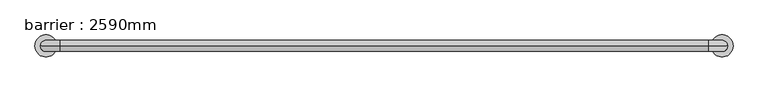
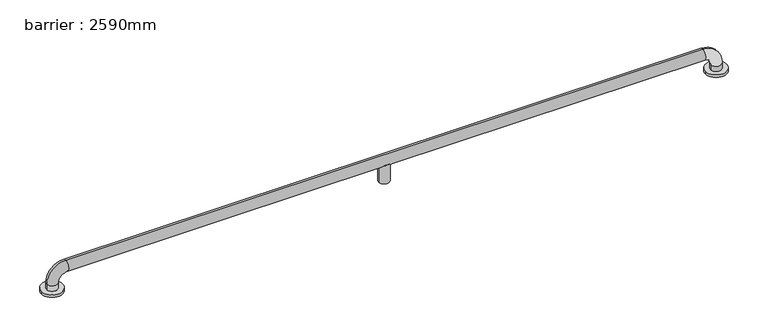
"""IFC4 building model written with IfcOpenShell, lengths in millimetres: geographic element geometry, barrier : 2590mm."""

import ifcopenshell
import ifcopenshell.guid

model = None  # the IFC model being written
_history = None  # IfcOwnerHistory: only IFC2X3 demands one
_inside = {}  # id of a spatial element -> (the spatial element, [elements in it])
_under = {}  # id of a project, library or spatial element -> (it, [spatial elements below it])
_declared = {}  # id of a project -> (the project, [libraries it declares])
_typed = {}  # id of a type object -> (the type object, [elements of that type])
_made_of = {}  # id of a material, layer set ... -> (it, [elements and type objects made of it])


def new_model(schema):
    """Start an empty IFC model of exactly this schema.

    Asked for "IFC4X3", IfcOpenShell would pick the latest addendum, in which some entities
    have other attributes; the version numbers below select the first issue.
    IFC2X3 requires an IfcOwnerHistory on every rooted entity: one is made here for all.
    """
    global model, _history
    if schema == "IFC4X3":
        model = ifcopenshell.file(schema_version=(4, 3, 0, 0))
    else:
        model = ifcopenshell.file(schema=schema)
    _inside.clear()
    _under.clear()
    _declared.clear()
    _typed.clear()
    _made_of.clear()
    _history = None
    if model.schema == "IFC2X3":
        org = make("IfcOrganization", Name="unknown")
        user = make(
            "IfcPersonAndOrganization",
            ThePerson=make("IfcPerson", FamilyName="unknown"),
            TheOrganization=org,
        )
        app = make(
            "IfcApplication",
            ApplicationDeveloper=org,
            Version="unknown",
            ApplicationFullName="unknown",
            ApplicationIdentifier="unknown",
        )
        _history = make(
            "IfcOwnerHistory",
            OwningUser=user,
            OwningApplication=app,
            ChangeAction="ADDED",
            CreationDate=0,
        )
    return model


def make(cls, **values):
    """One entity of the class cls with the attributes given. An attribute that is None is left unset."""
    return model.create_entity(
        cls, **{name: value for name, value in values.items() if value is not None}
    )


def rooted(cls, **values):
    """An entity with a GlobalId (a new one), such as an element, a storey or a relation."""
    return make(cls, GlobalId=ifcopenshell.guid.new(), OwnerHistory=_history, **values)


def si_unit(unit_type, name, prefix=None):
    """IfcSIUnit, for example si_unit("LENGTHUNIT", "METRE", prefix="MILLI")."""
    return make("IfcSIUnit", UnitType=unit_type, Prefix=prefix, Name=name)


def assignment(units):
    """IfcUnitAssignment: the units of a project."""
    return None if units is None else make("IfcUnitAssignment", Units=units)


def point(xyz):
    """IfcCartesianPoint."""
    return None if xyz is None else make("IfcCartesianPoint", Coordinates=xyz)


def direction(xyz):
    """IfcDirection."""
    return None if xyz is None else make("IfcDirection", DirectionRatios=xyz)


def frame(location, z_axis=None, x_axis=None):
    """IfcAxis2Placement3D, a coordinate frame: its origin and axes. An axis left out is left unset."""
    return make(
        "IfcAxis2Placement3D",
        Location=point(location),
        Axis=direction(z_axis),
        RefDirection=direction(x_axis),
    )


def origin():
    """The frame at (0, 0, 0) with its axes left unset."""
    return frame((0.0, 0.0, 0.0))


def place(relative_to, where):
    """IfcLocalPlacement: puts the frame where relative to a parent placement (None: the world)."""
    return make(
        "IfcLocalPlacement", PlacementRelTo=relative_to, RelativePlacement=where
    )


def context(
    kind, dimensions, precision=None, world=None, true_north=None, identifier=None
):
    """IfcGeometricRepresentationContext, for example the 3D "Model" context."""
    return make(
        "IfcGeometricRepresentationContext",
        ContextIdentifier=identifier,
        ContextType=kind,
        CoordinateSpaceDimension=dimensions,
        Precision=precision,
        WorldCoordinateSystem=world,
        TrueNorth=true_north,
    )


def project(units=None, contexts=None):
    """IfcProject with its units and contexts."""
    return rooted(
        "IfcProject",
        Name="project",
        RepresentationContexts=contexts,
        UnitsInContext=assignment(units),
    )


def spatial(cls, under=None, at=None, **own):
    """A site, building, storey or space (cls), placed at a placement, below another one or the project."""
    s = rooted(cls, ObjectPlacement=at, **own)
    if under is not None:
        _under.setdefault(under.id(), (under, []))[1].append(s)
    return s


def circle_curve(where, radius):
    """IfcCircle in the frame where."""
    return make("IfcCircle", Position=where, Radius=radius)


def ellipse_curve(where, semi_axis1, semi_axis2):
    """IfcEllipse in the frame where."""
    return make(
        "IfcEllipse", Position=where, SemiAxis1=semi_axis1, SemiAxis2=semi_axis2
    )


def trimmed(basis, trim1, trim2, sense, master):
    """IfcTrimmedCurve: the piece of a basis curve between two trims."""
    return make(
        "IfcTrimmedCurve",
        BasisCurve=basis,
        Trim1=trim1,
        Trim2=trim2,
        SenseAgreement=sense,
        MasterRepresentation=master,
    )


def shape(context_of_items, identifier, shape_type, items):
    """IfcShapeRepresentation: the items that make up one representation, for example the "Body"."""
    return make(
        "IfcShapeRepresentation",
        ContextOfItems=context_of_items,
        RepresentationIdentifier=identifier,
        RepresentationType=shape_type,
        Items=items,
    )


def source(mapping_origin, context_of_items, identifier, shape_type, items):
    """IfcRepresentationMap: a shape defined once, which mapped items show again and again."""
    return make(
        "IfcRepresentationMap",
        MappingOrigin=mapping_origin,
        MappedRepresentation=shape(context_of_items, identifier, shape_type, items),
    )


def transform(
    local_origin,
    x_axis=None,
    y_axis=None,
    z_axis=None,
    scale=None,
    scale2=None,
    scale3=None,
    uniform=True,
):
    """IfcCartesianTransformationOperator3D, or its non-uniform kind. x_axis, y_axis, z_axis: its Axis1, 2, 3."""
    if uniform:
        return make(
            "IfcCartesianTransformationOperator3D",
            Axis1=direction(x_axis),
            Axis2=direction(y_axis),
            LocalOrigin=point(local_origin),
            Scale=scale,
            Axis3=direction(z_axis),
        )
    return make(
        "IfcCartesianTransformationOperator3DnonUniform",
        Axis1=direction(x_axis),
        Axis2=direction(y_axis),
        LocalOrigin=point(local_origin),
        Scale=scale,
        Axis3=direction(z_axis),
        Scale2=scale2,
        Scale3=scale3,
    )


def mapped(mapping_source, mapping_target):
    """IfcMappedItem: shows the shape of a source again, moved by a transform."""
    return make(
        "IfcMappedItem", MappingSource=mapping_source, MappingTarget=mapping_target
    )


def made_of(thing, what):
    """Note that an element or type object is made of a material, layer set ...; save() writes the relation."""
    if what is not None:
        _made_of.setdefault(what.id(), (what, []))[1].append(thing)
    return thing


def element(
    cls,
    number,
    at=None,
    inside=None,
    cuts=None,
    type_object=None,
    material=None,
    context=None,
    identifier="Body",
    shape_type=None,
    held_by="IfcProductDefinitionShape",
    body=None,
    shapes=None,
    **own,
):
    """One element of the class cls, such as IfcWall. Its Tag is "e" and its number.

    at: its placement. inside: the storey or other place that contains it. cuts: it is an
    opening in that element (IfcRelVoidsElement). A single representation is given by context,
    identifier, shape_type and body (its items); several are given by shapes. held_by: the class
    of the entity that holds the representations. save() writes the other relations.
    """
    e = rooted(cls, Tag="e%d" % number, ObjectPlacement=at, **own)
    if body is not None:
        shapes = [shape(context, identifier, shape_type, body)]
    if shapes is not None:
        e.Representation = make(held_by, Representations=shapes)
    if inside is not None:
        _inside.setdefault(inside.id(), (inside, []))[1].append(e)
    if cuts is not None:
        rooted(
            "IfcRelVoidsElement", RelatingBuildingElement=cuts, RelatedOpeningElement=e
        )
    if type_object is not None:
        _typed.setdefault(type_object.id(), (type_object, []))[1].append(e)
    return made_of(e, material)


def aggregate(whole, parts):
    """IfcRelAggregates: a whole, such as a stair, and the parts it consists of."""
    return rooted("IfcRelAggregates", RelatingObject=whole, RelatedObjects=parts)


def save(model, path):
    """Write the relations noted so far, then the file.

    IfcRelAggregates (storeys below a building ...), IfcRelContainedInSpatialStructure (elements
    in a storey), IfcRelDefinesByType, IfcRelAssociatesMaterial and IfcRelDeclares: one each for
    every whole, place, type object, material and project.
    """
    for whole, parts in _under.values():
        aggregate(whole, parts)
    for where, things in _inside.values():
        rooted(
            "IfcRelContainedInSpatialStructure",
            RelatedElements=things,
            RelatingStructure=where,
        )
    for kind, things in _typed.values():
        rooted("IfcRelDefinesByType", RelatedObjects=things, RelatingType=kind)
    for what, things in _made_of.values():
        rooted("IfcRelAssociatesMaterial", RelatedObjects=things, RelatingMaterial=what)
    for by, libraries in _declared.values():
        rooted("IfcRelDeclares", RelatingContext=by, RelatedDefinitions=libraries)
    model.write(path)


def plane_surface(at):
    """IfcPlane: the flat surface through the origin of the frame at, square to its z axis."""
    return make("IfcPlane", Position=at)


def cylinder_surface(at, radius):
    """IfcCylindricalSurface: all points at the distance radius from the z axis of the frame at."""
    return make("IfcCylindricalSurface", Position=at, Radius=radius)


def revolved_surface(curve, axis_point, axis_direction):
    """IfcSurfaceOfRevolution: the curve turned about the line through axis_point along axis_direction."""
    return make(
        "IfcSurfaceOfRevolution",
        SweptCurve=make("IfcArbitraryOpenProfileDef", ProfileType="CURVE", Curve=curve),
        AxisPosition=make("IfcAxis1Placement", Location=point(axis_point), Axis=direction(axis_direction)),
    )


def advanced_brep(points, edges, surfaces, faces):
    """IfcAdvancedBrep: a solid bounded by faces that lie on surfaces and meet in shared edges.

    An edge is (start, end): straight between two places in points (the first is 0);
    or (start, end, curve); or (start, end, curve, False) where it runs against its curve.
    A face is (place in surfaces, loops), or (place, loops, False) where it looks against
    its surface's normal. A loop lists edges by number (the first is 1), with a minus sign
    where the edge is run from its end to its start. The first loop is the outer one.
    """
    corners = [point(p) for p in points]
    vertices = [make("IfcVertexPoint", VertexGeometry=c) for c in corners]
    made = []
    for start, end, *more in edges:
        made.append(
            make(
                "IfcEdgeCurve",
                EdgeStart=vertices[start],
                EdgeEnd=vertices[end],
                EdgeGeometry=more[0] if more else make("IfcPolyline", Points=[corners[start], corners[end]]),
                SameSense=more[1] if len(more) > 1 else True,
            )
        )
    hull = []
    for where, loops, *sense in faces:
        bounds = []
        for j, loop in enumerate(loops):
            ring = [make("IfcOrientedEdge", EdgeElement=made[abs(k) - 1], Orientation=k > 0) for k in loop]
            bounds.append(
                make(
                    "IfcFaceOuterBound" if j == 0 else "IfcFaceBound",
                    Bound=make("IfcEdgeLoop", EdgeList=ring),
                    Orientation=True,
                )
            )
        hull.append(make("IfcAdvancedFace", Bounds=bounds, FaceSurface=surfaces[where], SameSense=sense[0] if sense else True))
    return make("IfcAdvancedBrep", Outer=make("IfcClosedShell", CfsFaces=hull))


def barrier_2590mm_6413351f(model_context):
    return source(origin(), model_context, "Body", "AdvancedBrep", [
        advanced_brep(
        [(-506.3087167, 0.0, 0.0), (-426.3087167, 0.0, 0.0), (1942.2897345, 0.0, 0.0), (2022.2897345, 0.0, 0.0), (-446.3087167, 0.0, 30.0), (-446.3087167, 0.0, 10.0), (-486.3087167, 0.0, 10.0), (-486.3087167, 0.0, 30.0), (-416.3087167, 0.0, 100.0), (-416.3087167, 0.0, 60.0), (1932.2897345, 0.0, 100.0), (1932.2897345, 0.0, 60.0), (777.9905089, 0.0, 60.0), (766.6842201, 18.0116458, 71.3062888), (749.2967977, 18.0116458, 71.3062888), (737.9905089, 0.0, 60.0), (749.2967977, -18.0116458, 71.3062888), (766.6842201, -18.0116458, 71.3062888), (2002.2897345, 0.0, 30.0), (1962.2897345, 0.0, 30.0), (2002.2897345, 0.0, 10.0), (1962.2897345, 0.0, 10.0), (737.9905089, 0.0, 0.0), (777.9905089, 0.0, 0.0), (-506.3087167, 0.0, 10.0), (-426.3087167, 0.0, 10.0), (1942.2897345, 0.0, 10.0), (2022.2897345, 0.0, 10.0)],
        [
            (0, 1, circle_curve(frame((-466.3087167, 0.0, 0.0), z_axis=(0.0, 0.0, -1.0), x_axis=(1.0, 0.0, 0.0)), 40.0)),
            (1, 0, circle_curve(frame((-466.3087167, 0.0, 0.0), z_axis=(0.0, 0.0, -1.0), x_axis=(1.0, 0.0, 0.0)), 40.0)),
            (2, 3, circle_curve(frame((1982.2897345, 0.0, 0.0), z_axis=(0.0, 0.0, -1.0), x_axis=(1.0, 0.0, 0.0)), 40.0)),
            (3, 2, circle_curve(frame((1982.2897345, 0.0, 0.0), z_axis=(0.0, 0.0, -1.0), x_axis=(1.0, 0.0, 0.0)), 40.0)),
            (4, 5),
            (5, 6, circle_curve(frame((-466.3087167, 0.0, 10.0), z_axis=(0.0, 0.0, 1.0), x_axis=(-1.0, 0.0, 0.0)), 20.0)),
            (6, 7),
            (7, 4, circle_curve(frame((-466.3087167, 0.0, 30.0), z_axis=(0.0, 0.0, -1.0), x_axis=(-1.0, 0.0, 0.0)), 20.0)),
            (6, 5, circle_curve(frame((-466.3087167, 0.0, 10.0), z_axis=(0.0, 0.0, 1.0), x_axis=(-1.0, 0.0, 0.0)), 20.0)),
            (4, 7, circle_curve(frame((-466.3087167, 0.0, 30.0), z_axis=(0.0, 0.0, -1.0), x_axis=(-1.0, 0.0, 0.0)), 20.0)),
            (7, 8, circle_curve(frame((-416.3087167, 0.0, 30.0), z_axis=(0.0, 1.0, 0.0), x_axis=(-1.0, 0.0, 0.0)), 70.0)),
            (8, 9, circle_curve(frame((-416.3087167, 0.0, 80.0), z_axis=(-1.0, 0.0, 0.0), x_axis=(0.0, 0.0, 1.0)), 20.0)),
            (9, 4, circle_curve(frame((-416.3087167, 0.0, 30.0), z_axis=(0.0, -1.0, 0.0), x_axis=(-1.0, 0.0, 0.0)), 30.0)),
            (9, 8, circle_curve(frame((-416.3087167, 0.0, 80.0), z_axis=(-1.0, 0.0, 0.0), x_axis=(0.0, 0.0, 1.0)), 20.0)),
            (8, 10),
            (10, 11, circle_curve(frame((1932.2897345, 0.0, 80.0), z_axis=(-1.0, 0.0, 0.0), x_axis=(0.0, 0.0, 1.0)), 20.0)),
            (11, 12),
            (12, 13, ellipse_curve(frame((757.9905089, 0.0, 80.0), z_axis=(0.7071067811865475, 0.0, 0.7071067811865475), x_axis=(-0.7071067811865476, 0.0, 0.7071067811865474)), 28.2842712, 20.0)),
            (13, 14),
            (14, 15, ellipse_curve(frame((757.9905089, 0.0, 80.0), z_axis=(-0.7071067811865475, 0.0, 0.7071067811865475), x_axis=(-0.7071067811865476, 0.0, -0.7071067811865474)), 28.2842712, 20.0)),
            (15, 9),
            (15, 16, ellipse_curve(frame((757.9905089, 0.0, 80.0), z_axis=(-0.7071067811865475, 0.0, 0.7071067811865475), x_axis=(-0.7071067811865476, 0.0, -0.7071067811865474)), 28.2842712, 20.0)),
            (16, 17),
            (17, 12, ellipse_curve(frame((757.9905089, 0.0, 80.0), z_axis=(0.7071067811865475, 0.0, 0.7071067811865475), x_axis=(-0.7071067811865476, 0.0, 0.7071067811865474)), 28.2842712, 20.0)),
            (11, 10, circle_curve(frame((1932.2897345, 0.0, 80.0), z_axis=(-1.0, 0.0, 0.0), x_axis=(0.0, 0.0, 1.0)), 20.0)),
            (10, 18, circle_curve(frame((1932.2897345, 0.0, 30.0), z_axis=(0.0, 1.0, 0.0), x_axis=(0.0, 0.0, 1.0)), 70.0)),
            (18, 19, circle_curve(frame((1982.2897345, 0.0, 30.0), z_axis=(0.0, 0.0, 1.0), x_axis=(1.0, 0.0, 0.0)), 20.0)),
            (19, 11, circle_curve(frame((1932.2897345, 0.0, 30.0), z_axis=(0.0, -1.0, 0.0), x_axis=(0.0, 0.0, 1.0)), 30.0)),
            (19, 18, circle_curve(frame((1982.2897345, 0.0, 30.0), z_axis=(0.0, 0.0, 1.0), x_axis=(1.0, 0.0, 0.0)), 20.0)),
            (18, 20),
            (20, 21, circle_curve(frame((1982.2897345, 0.0, 10.0), z_axis=(0.0, 0.0, 1.0), x_axis=(1.0, 0.0, 0.0)), 20.0)),
            (21, 19),
            (21, 20, circle_curve(frame((1982.2897345, 0.0, 10.0), z_axis=(0.0, 0.0, 1.0), x_axis=(1.0, 0.0, 0.0)), 20.0)),
            (22, 23, circle_curve(frame((757.9905089, 0.0, 0.0), z_axis=(0.0, 0.0, -1.0), x_axis=(1.0, 0.0, 0.0)), 20.0)),
            (23, 22, circle_curve(frame((757.9905089, 0.0, 0.0), z_axis=(0.0, 0.0, -1.0), x_axis=(1.0, 0.0, 0.0)), 20.0)),
            (22, 15),
            (14, 13, circle_curve(frame((757.9905089, 0.0, 71.3062888), z_axis=(0.0, 0.0, -1.0), x_axis=(1.0, 0.0, 0.0)), 20.0)),
            (12, 23),
            (17, 16, circle_curve(frame((757.9905089, 0.0, 71.3062888), z_axis=(0.0, 0.0, -1.0), x_axis=(1.0, 0.0, 0.0)), 20.0)),
            (24, 25, circle_curve(frame((-466.3087167, 0.0, 10.0), z_axis=(0.0, 0.0, 1.0), x_axis=(1.0, 0.0, 0.0)), 40.0)),
            (25, 24, circle_curve(frame((-466.3087167, 0.0, 10.0), z_axis=(0.0, 0.0, 1.0), x_axis=(1.0, 0.0, 0.0)), 40.0)),
            (26, 27, circle_curve(frame((1982.2897345, 0.0, 10.0), z_axis=(0.0, 0.0, 1.0), x_axis=(1.0, 0.0, 0.0)), 40.0)),
            (27, 26, circle_curve(frame((1982.2897345, 0.0, 10.0), z_axis=(0.0, 0.0, 1.0), x_axis=(1.0, 0.0, 0.0)), 40.0)),
            (25, 1),
            (0, 24),
            (27, 3),
            (2, 26),
        ],
        [
            plane_surface(frame((-466.3087167, 20.0, 0.0), z_axis=(0.0, 0.0, -1.0), x_axis=(1.0, 0.0, 0.0))),
            cylinder_surface(frame((-466.3087167, 0.0, 0.0), z_axis=(0.0, 0.0, -1.0), x_axis=(-1.0, 0.0, 0.0)), 20.0),
            revolved_surface(trimmed(ellipse_curve(frame((-466.3087167, 0.0, 30.0), z_axis=(0.0, 0.0, 1.0), x_axis=(-1.0, 0.0, 0.0)), 20.0, 20.0), [point((-446.3087167, 0.0, 30.0))], [point((-486.3087167, 0.0, 30.0))], True, "CARTESIAN"), (-416.3087167, 0.0, 30.0), (0.0, -1.0, 0.0)),
            revolved_surface(trimmed(ellipse_curve(frame((-466.3087167, 0.0, 30.0), z_axis=(0.0, 0.0, 1.0), x_axis=(-1.0, 0.0, 0.0)), 20.0, 20.0), [point((-486.3087167, 0.0, 30.0))], [point((-446.3087167, 0.0, 30.0))], True, "CARTESIAN"), (-416.3087167, 0.0, 30.0), (0.0, -1.0, 0.0)),
            cylinder_surface(frame((-416.3087167, 0.0, 80.0), z_axis=(-1.0, 0.0, 0.0), x_axis=(0.0, 0.0, 1.0)), 20.0),
            revolved_surface(trimmed(ellipse_curve(frame((1932.2897345, 0.0, 80.0), z_axis=(1.0, 0.0, 0.0), x_axis=(0.0, 0.0, 1.0)), 20.0, 20.0), [point((1932.2897345, 0.0, 60.0))], [point((1932.2897345, 0.0, 100.0))], True, "CARTESIAN"), (1932.2897345, 0.0, 30.0), (0.0, -1.0, 0.0)),
            revolved_surface(trimmed(ellipse_curve(frame((1932.2897345, 0.0, 80.0), z_axis=(1.0, 0.0, 0.0), x_axis=(0.0, 0.0, 1.0)), 20.0, 20.0), [point((1932.2897345, 0.0, 100.0))], [point((1932.2897345, 0.0, 60.0))], True, "CARTESIAN"), (1932.2897345, 0.0, 30.0), (0.0, -1.0, 0.0)),
            cylinder_surface(frame((1982.2897345, 0.0, 30.0), z_axis=(0.0, 0.0, 1.0), x_axis=(1.0, 0.0, 0.0)), 20.0),
            plane_surface(frame((777.9905089, 0.0, 0.0), z_axis=(0.0, 0.0, -1.0), x_axis=(0.0, 1.0, 0.0))),
            cylinder_surface(frame((757.9905089, 0.0, 0.0), z_axis=(0.0, 0.0, 1.0), x_axis=(1.0, 0.0, 0.0)), 20.0),
            plane_surface(frame((-426.3087167, 0.0, 10.0), z_axis=(0.0, 0.0, 1.0), x_axis=(0.0, -1.0, 0.0))),
            cylinder_surface(frame((-466.3087167, 0.0, 0.0), z_axis=(0.0, 0.0, 1.0), x_axis=(1.0, 0.0, 0.0)), 40.0),
            cylinder_surface(frame((1982.2897345, 0.0, 0.0), z_axis=(0.0, 0.0, 1.0), x_axis=(1.0, 0.0, 0.0)), 40.0),
            plane_surface(frame((777.9905089, 0.0, 71.3062888), z_axis=(0.0, 0.0, 1.0), x_axis=(0.0, -1.0, 0.0))),
        ],
        [
            (0, [[1, 2]]),
            (0, [[3, 4]]),
            (1, [[5, 6, 7, 8]]),
            (1, [[-7, 9, -5, 10]]),
            (2, [[11, 12, 13, -8]]),
            (3, [[-13, 14, -11, -10]]),
            (4, [[15, 16, 17, 18, 19, 20, 21, -12]]),
            (4, [[-21, 22, 23, 24, -17, 25, -15, -14]]),
            (5, [[26, 27, 28, -16]]),
            (6, [[-28, 29, -26, -25]]),
            (7, [[30, 31, 32, -27]]),
            (7, [[-32, 33, -30, -29]]),
            (8, [[34, 35]]),
            (9, [[36, -20, 37, -18, 38, -34]]),
            (9, [[-38, -24, 39, -22, -36, -35]]),
            (10, [[40, 41], [-9, -6]]),
            (10, [[42, 43], [-33, -31]]),
            (11, [[44, -1, 45, -41]]),
            (11, [[-45, -2, -44, -40]]),
            (12, [[46, -3, 47, -43]]),
            (12, [[-47, -4, -46, -42]]),
            (13, [[-19, -37]]),
            (13, [[-23, -39]]),
        ],
    ),
    ])


if __name__ == "__main__":
    model = new_model("IFC4")
    model_context = context("Model", 3, world=origin())
    ifc_project = project(units=[si_unit("LENGTHUNIT", "METRE", prefix="MILLI")], contexts=[model_context])
    site = spatial("IfcSite", under=ifc_project)
    building = spatial("IfcBuilding", under=site)
    placement = place(None, origin())
    barrier_2590mm_shape = barrier_2590mm_6413351f(model_context)
    element("IfcGeographicElement", 1, ObjectType="barrier : 2590mm", at=placement, inside=building, context=model_context, shape_type="MappedRepresentation", body=[
        mapped(barrier_2590mm_shape, transform((0.0, 0.0, 0.0), x_axis=(1.0, 0.0, 0.0), y_axis=(0.0, 1.0, 0.0), z_axis=(0.0, 0.0, 1.0))),
    ])
    save(model, "model.ifc")
